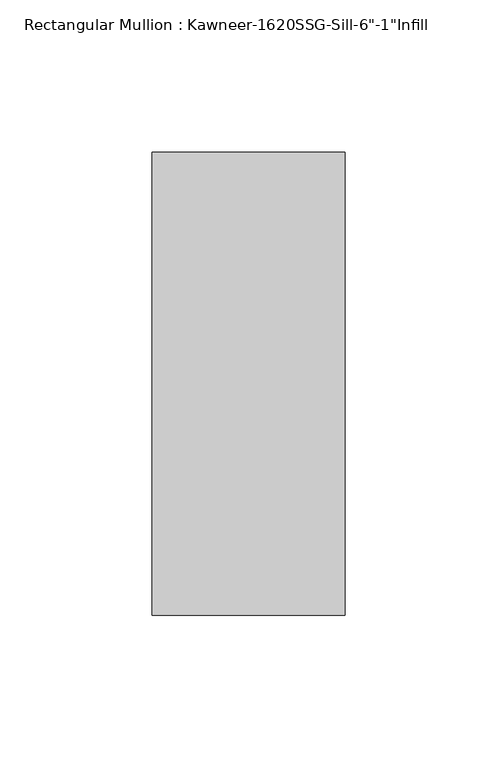
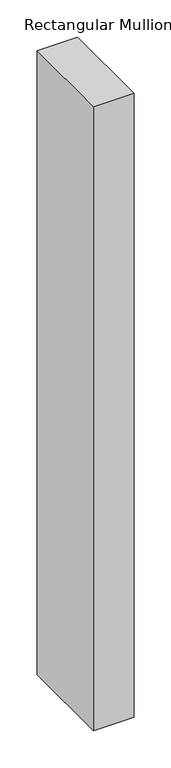
"""IFC4 building model written with IfcOpenShell, lengths in millimetres: member geometry."""

from ifc_helpers import new_model, si_unit, frame, origin, place, context, project, spatial, polyline, outline, extrude, source, transform, mapped, element, save


def member_4f5b510a(model_context):
    return source(origin(), model_context, "Body", "SweptSolid", [
        extrude(outline(polyline([(-63.5, 38.1), (0.0, 38.1), (0.0, -114.3), (-63.5, -114.3), (-63.5, 38.1)])), frame((0.0, 0.0, -1028.7), z_axis=(0.0, 0.0, 1.0), x_axis=(1.0, 0.0, 0.0)), (0.0, 0.0, 1.0), 1028.7),
    ])


if __name__ == "__main__":
    model = new_model("IFC4")
    model_context = context("Model", 3, world=origin())
    ifc_project = project(units=[si_unit("LENGTHUNIT", "METRE", prefix="MILLI")], contexts=[model_context])
    site = spatial("IfcSite", under=ifc_project)
    building = spatial("IfcBuilding", under=site)
    placement = place(None, origin())
    member_shape = member_4f5b510a(model_context)
    element("IfcMember", 1, ObjectType="Rectangular Mullion : Kawneer-1620SSG-Sill-6\"-1\"Infill", at=placement, inside=building, context=model_context, shape_type="MappedRepresentation", body=[
        mapped(member_shape, transform((0.0, 0.0, 0.0), x_axis=(1.0, 0.0, 0.0), y_axis=(0.0, 1.0, 0.0), z_axis=(0.0, 0.0, 1.0))),
    ])
    save(model, "model.ifc")
